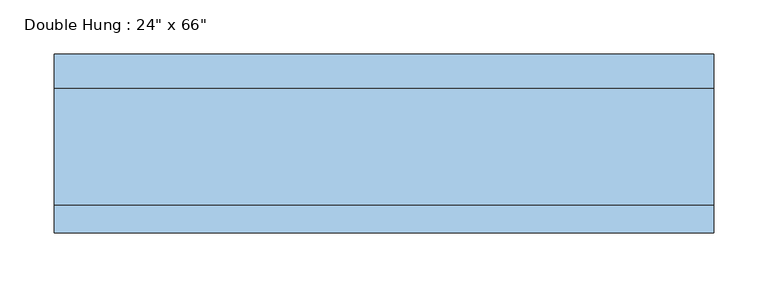
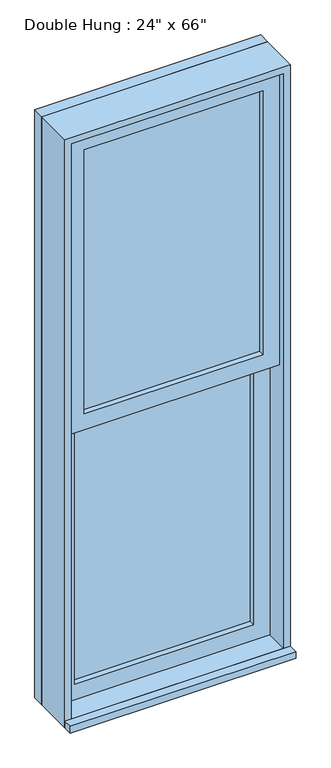
"""IFC4 building model written with IfcOpenShell, lengths in millimetres: window geometry."""

from ifc_helpers import new_model, si_unit, frame, origin, place, context, project, spatial, polyline, outline, extrude, source, transform, mapped, element, save


def window_8239c65a(model_context):
    return source(origin(), model_context, "Body", "SweptSolid", [
        extrude(outline(polyline([(-241.3, 9.525), (-241.3, 22.225), (241.3, 22.225), (241.3, 9.525), (-241.3, 9.525)])), frame((0.0, 0.0, 368.3), z_axis=(0.0, 0.0, 1.0), x_axis=(1.0, 0.0, 0.0)), (0.0, 0.0, 1.0), 752.475),
        extrude(outline(polyline([(1165.225, -285.75), (323.85, -285.75), (323.85, 285.75), (1165.225, 285.75), (1165.225, -285.75)]), holes=[polyline([(1120.775, -241.3), (1120.775, 241.3), (368.3, 241.3), (368.3, -241.3), (1120.775, -241.3)])]), frame((0.0, -6.35, 0.0), z_axis=(0.0, 1.0, 0.0), x_axis=(0.0, 0.0, 1.0)), (0.0, 0.0, 1.0), 44.45),
        extrude(outline(polyline([(-304.8, -95.25), (-304.8, -69.85), (304.8, -69.85), (304.8, -95.25), (-304.8, -95.25)])), frame((0.0, 0.0, 304.8), z_axis=(0.0, 0.0, 1.0), x_axis=(1.0, 0.0, 0.0)), (0.0, 0.0, 1.0), 19.05),
        extrude(outline(polyline([(241.3, -22.225), (241.3, -34.925), (-241.3, -34.925), (-241.3, -22.225), (241.3, -22.225)])), frame((0.0, 0.0, 1165.225), z_axis=(0.0, 0.0, 1.0), x_axis=(1.0, 0.0, 0.0)), (0.0, 0.0, 1.0), 752.475),
        extrude(outline(polyline([(1962.15, -285.75), (1120.775, -285.75), (1120.775, 285.75), (1962.15, 285.75), (1962.15, -285.75)]), holes=[polyline([(1917.7, -241.3), (1917.7, 241.3), (1165.225, 241.3), (1165.225, -241.3), (1917.7, -241.3)])]), frame((0.0, -50.8, 0.0), z_axis=(0.0, 1.0, 0.0), x_axis=(0.0, 0.0, 1.0)), (0.0, 0.0, 1.0), 44.45),
        extrude(outline(polyline([(1981.2, -304.8), (304.8, -304.8), (304.8, 304.8), (1981.2, 304.8), (1981.2, -304.8)]), holes=[polyline([(1949.45, -273.05), (1949.45, 273.05), (336.55, 273.05), (336.55, -273.05), (1949.45, -273.05)])]), frame((0.0, 38.1, 0.0), z_axis=(0.0, 1.0, 0.0), x_axis=(0.0, 0.0, 1.0)), (0.0, 0.0, 1.0), 31.75),
        extrude(outline(polyline([(1981.2, 304.8), (1981.2, -304.8), (304.8, -304.8), (304.8, 304.8), (1981.2, 304.8)]), holes=[polyline([(1962.15, 285.75), (323.85, 285.75), (323.85, -285.75), (1962.15, -285.75), (1962.15, 285.75)])]), frame((0.0, -69.85, 0.0), z_axis=(0.0, 1.0, 0.0), x_axis=(0.0, 0.0, 1.0)), (0.0, 0.0, 1.0), 107.95),
    ])


if __name__ == "__main__":
    model = new_model("IFC4")
    model_context = context("Model", 3, world=origin())
    ifc_project = project(units=[si_unit("LENGTHUNIT", "METRE", prefix="MILLI")], contexts=[model_context])
    site = spatial("IfcSite", under=ifc_project)
    building = spatial("IfcBuilding", under=site)
    placement = place(None, origin())
    window_shape = window_8239c65a(model_context)
    element("IfcWindow", 1, ObjectType="Double Hung : 24\" x 66\"", at=placement, inside=building, context=model_context, shape_type="MappedRepresentation", body=[
        mapped(window_shape, transform((0.0, 0.0, 0.0), x_axis=(1.0, 0.0, 0.0), y_axis=(0.0, 1.0, 0.0), z_axis=(0.0, 0.0, 1.0))),
    ])
    save(model, "model.ifc")
